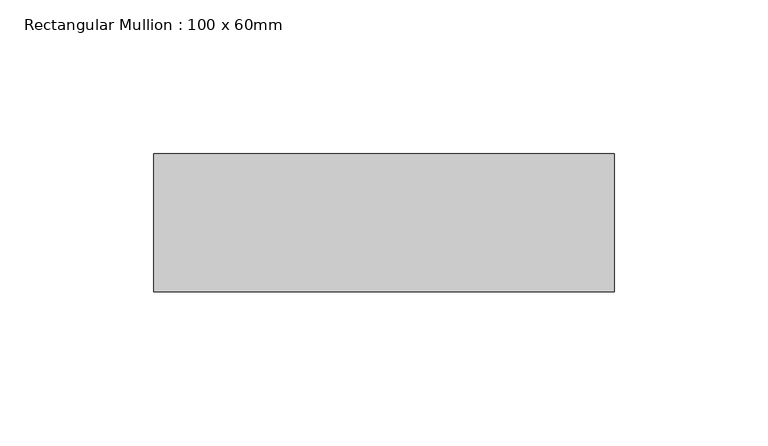
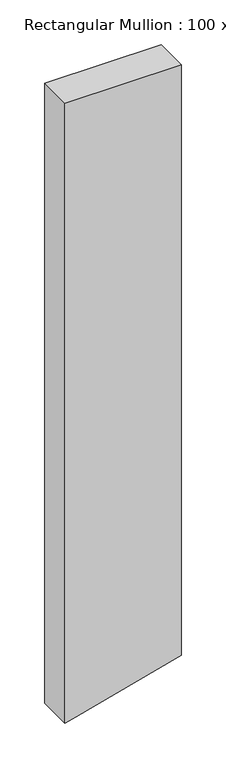
"""IFC4 building model written with IfcOpenShell, lengths in millimetres: member geometry, Rectangular Mullion : 100 x 60mm."""

from ifc_helpers import new_model, si_unit, frame, origin, place, context, project, spatial, polyline, outline, extrude, source, transform, mapped, element, save


def rectangular_mullion_100_x_60mm_df4792cb(model_context):
    return source(origin(), model_context, "Body", "SweptSolid", [
        extrude(outline(polyline([(0.0, 75.0), (0.0, -75.0), (-845.2867733, -75.0), (-842.5281724, -64.7047613), (-805.0943944, 75.0), (0.0, 75.0)])), frame((0.0, -30.0, 0.0), z_axis=(0.0, 1.0, 0.0), x_axis=(0.0, 0.0, 1.0)), (0.0, 0.0, 1.0), 45.0),
    ])


if __name__ == "__main__":
    model = new_model("IFC4")
    model_context = context("Model", 3, world=origin())
    ifc_project = project(units=[si_unit("LENGTHUNIT", "METRE", prefix="MILLI")], contexts=[model_context])
    site = spatial("IfcSite", under=ifc_project)
    building = spatial("IfcBuilding", under=site)
    placement = place(None, origin())
    rectangular_mullion_100_x_60mm_shape = rectangular_mullion_100_x_60mm_df4792cb(model_context)
    element("IfcMember", 1, ObjectType="Rectangular Mullion : 100 x 60mm", at=placement, inside=building, context=model_context, shape_type="MappedRepresentation", body=[
        mapped(rectangular_mullion_100_x_60mm_shape, transform((0.0, 0.0, 0.0), x_axis=(1.0, 0.0, 0.0), y_axis=(0.0, 1.0, 0.0), z_axis=(0.0, 0.0, 1.0))),
    ])
    save(model, "model.ifc")
